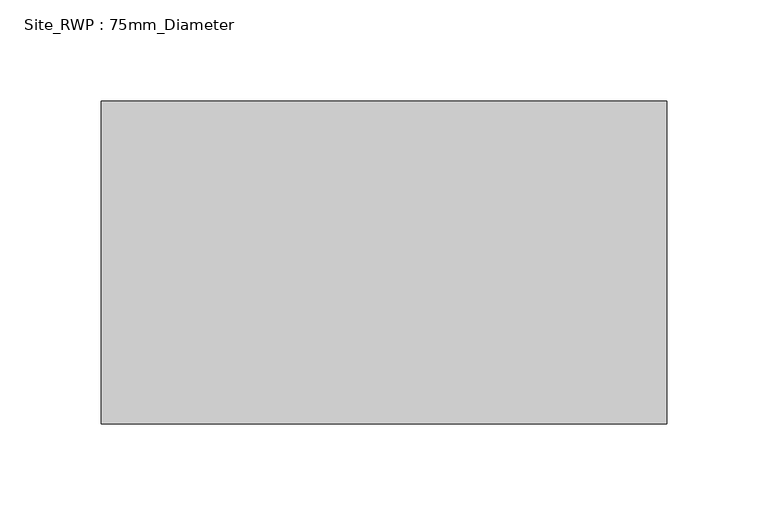
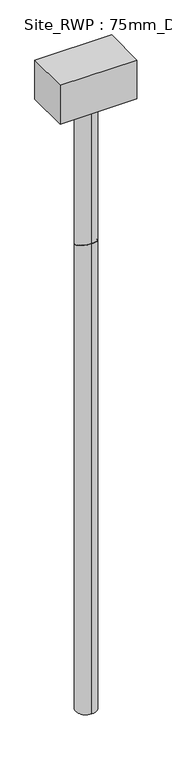
"""IFC4 building model written with IfcOpenShell, lengths in millimetres: geographic element geometry, Site_RWP : 75mm_Diameter."""

from ifc_helpers import new_model, si_unit, frame, origin, place, context, project, spatial, polyline, circle_curve, ellipse_curve, outline, extrude, source, transform, mapped, element, save
from ifc_brep_helpers import plane_surface, cylinder_surface, revolved_surface, advanced_brep


def site_rwp_75mm_diameter_0cb59f58(model_context):
    return source(origin(), model_context, "Body", "SolidModel", [
        extrude(outline(polyline([(140.0, 81.0), (140.0, -79.0), (-140.0, -79.0), (-140.0, 81.0), (140.0, 81.0)])), frame((0.0, 0.0, 2350.0), z_axis=(0.0, 0.0, 1.0), x_axis=(1.0, 0.0, 0.0)), (0.0, 0.0, 1.0), 150.0),
        advanced_brep(
        [(0.0, 37.5, 0.0), (0.0, -37.5, 0.0), (0.0, 34.5, 0.0), (0.0, -34.5, 0.0), (0.0, 37.5, 1783.4669914), (0.0, -37.5, 1814.5330086), (0.0, 34.5, 1784.7096321), (0.0, -34.5, 1813.2903679), (0.0, 38.5, 1784.4669914), (0.0, -36.5, 1815.5330086), (0.0, 35.5, 1785.7096321), (0.0, -33.5, 1814.2903679), (0.0, 38.5, 2350.0), (0.0, -36.5, 2350.0), (0.0, 35.5, 2350.0), (0.0, -33.5, 2350.0)],
        [
            (0, 1, circle_curve(frame((0.0, 0.0, 0.0), z_axis=(0.0, 0.0, -1.0), x_axis=(0.0, -1.0, 0.0)), 37.5)),
            (1, 0, circle_curve(frame((0.0, 0.0, 0.0), z_axis=(0.0, 0.0, -1.0), x_axis=(0.0, -1.0, 0.0)), 37.5)),
            (2, 3, circle_curve(frame((0.0, 0.0, 0.0), z_axis=(0.0, 0.0, 1.0), x_axis=(0.0, -1.0, 0.0)), 34.5)),
            (3, 2, circle_curve(frame((0.0, 0.0, 0.0), z_axis=(0.0, 0.0, 1.0), x_axis=(0.0, -1.0, 0.0)), 34.5)),
            (0, 4),
            (4, 5, ellipse_curve(frame((0.0, 0.0, 1799.0), z_axis=(0.0, -0.38268343236506625, -0.9238795325112964), x_axis=(0.0, 0.9238795325112964, -0.3826834323650667)), 40.5897075, 37.5)),
            (5, 1),
            (5, 4, ellipse_curve(frame((0.0, 0.0, 1799.0), z_axis=(0.0, -0.38268343236506625, -0.9238795325112964), x_axis=(0.0, 0.9238795325112964, -0.3826834323650667)), 40.5897075, 37.5)),
            (2, 6),
            (6, 7, ellipse_curve(frame((0.0, 0.0, 1799.0), z_axis=(0.0, 0.38268343236506625, 0.9238795325112964), x_axis=(0.0, -0.9238795325112964, 0.3826834323650667)), 37.3425309, 34.5)),
            (7, 3),
            (7, 6, ellipse_curve(frame((0.0, 0.0, 1799.0), z_axis=(0.0, 0.38268343236506625, 0.9238795325112964), x_axis=(0.0, -0.9238795325112964, 0.3826834323650667)), 37.3425309, 34.5)),
            (4, 8),
            (8, 9, ellipse_curve(frame((0.0, 1.0, 1800.0), z_axis=(0.0, -0.3826834323650663, -0.9238795325112966), x_axis=(0.0, -0.9238795325112964, 0.38268343236506663)), 40.5897075, 37.5)),
            (9, 5),
            (9, 8, ellipse_curve(frame((0.0, 1.0, 1800.0), z_axis=(0.0, -0.3826834323650663, -0.9238795325112966), x_axis=(0.0, -0.9238795325112964, 0.38268343236506663)), 40.5897075, 37.5)),
            (6, 10),
            (10, 11, ellipse_curve(frame((0.0, 1.0, 1800.0), z_axis=(0.0, 0.3826834323650663, 0.9238795325112966), x_axis=(0.0, 0.9238795325112964, -0.38268343236506663)), 37.3425309, 34.5)),
            (11, 7),
            (11, 10, ellipse_curve(frame((0.0, 1.0, 1800.0), z_axis=(0.0, 0.3826834323650663, 0.9238795325112966), x_axis=(0.0, 0.9238795325112964, -0.38268343236506663)), 37.3425309, 34.5)),
            (12, 13, circle_curve(frame((0.0, 1.0, 2350.0), z_axis=(0.0, 0.0, 1.0), x_axis=(0.0, -1.0, 0.0)), 37.5)),
            (13, 12, circle_curve(frame((0.0, 1.0, 2350.0), z_axis=(0.0, 0.0, 1.0), x_axis=(0.0, -1.0, 0.0)), 37.5)),
            (14, 15, circle_curve(frame((0.0, 1.0, 2350.0), z_axis=(0.0, 0.0, -1.0), x_axis=(0.0, -1.0, 0.0)), 34.5)),
            (15, 14, circle_curve(frame((0.0, 1.0, 2350.0), z_axis=(0.0, 0.0, -1.0), x_axis=(0.0, -1.0, 0.0)), 34.5)),
            (8, 12),
            (13, 9),
            (10, 14),
            (15, 11),
        ],
        [
            plane_surface(frame((0.0, 0.0, 0.0), z_axis=(0.0, 0.0, -1.0), x_axis=(1.0, 0.0, 0.0))),
            cylinder_surface(frame((0.0, 0.0, 0.0), z_axis=(0.0, 0.0, -1.0), x_axis=(0.0, -1.0, 0.0)), 37.5),
            revolved_surface(polyline([(0.0, -34.5, 1813.2903679), (0.0, -34.5, 0.0)]), (0.0, 0.0, 0.0), (0.0, 0.0, 1.0)),
            cylinder_surface(frame((0.0, 0.0, 1799.0), z_axis=(0.0, -0.7071067811865116, -0.7071067811865835), x_axis=(0.0, -0.7071067811865835, 0.7071067811865116)), 37.5),
            revolved_surface(polyline([(0.0, -13.290367900938982, 1834.5000000009338), (0.0, -34.50000000093533, 1813.2903679009353)]), (0.0, 0.0, 1799.0), (0.0, 0.7071067811865116, 0.7071067811865835)),
            plane_surface(frame((0.0, 1.0, 2350.0), z_axis=(0.0, 0.0, 1.0), x_axis=(1.0, 0.0, 0.0))),
            cylinder_surface(frame((0.0, 1.0, 1800.0), z_axis=(0.0, 0.0, -1.0), x_axis=(0.0, -1.0, 0.0)), 37.5),
            revolved_surface(polyline([(0.0, -33.5, 2350.0), (0.0, -33.5, 1785.7096321)]), (0.0, 1.0, 1800.0), (0.0, 0.0, 1.0)),
        ],
        [
            (0, [[1, 2], [3, 4]]),
            (1, [[-1, 5, 6, 7]]),
            (1, [[-2, -7, 8, -5]]),
            (2, [[-3, 9, 10, 11]]),
            (2, [[-4, -11, 12, -9]]),
            (3, [[-6, 13, 14, 15]]),
            (3, [[-8, -15, 16, -13]]),
            (4, [[-10, 17, 18, 19]]),
            (4, [[-12, -19, 20, -17]]),
            (5, [[21, 22], [23, 24]]),
            (6, [[-14, 25, -22, 26]]),
            (6, [[-16, -26, -21, -25]]),
            (7, [[-18, 27, -24, 28]]),
            (7, [[-20, -28, -23, -27]]),
        ],
    ),
    ])


if __name__ == "__main__":
    model = new_model("IFC4")
    model_context = context("Model", 3, world=origin())
    ifc_project = project(units=[si_unit("LENGTHUNIT", "METRE", prefix="MILLI")], contexts=[model_context])
    site = spatial("IfcSite", under=ifc_project)
    building = spatial("IfcBuilding", under=site)
    placement = place(None, origin())
    site_rwp_75mm_diameter_shape = site_rwp_75mm_diameter_0cb59f58(model_context)
    element("IfcGeographicElement", 1, ObjectType="Site_RWP : 75mm_Diameter", at=placement, inside=building, context=model_context, shape_type="MappedRepresentation", body=[
        mapped(site_rwp_75mm_diameter_shape, transform((0.0, 0.0, 0.0), x_axis=(1.0, 0.0, 0.0), y_axis=(0.0, 1.0, 0.0), z_axis=(0.0, 0.0, 1.0))),
    ])
    save(model, "model.ifc")
